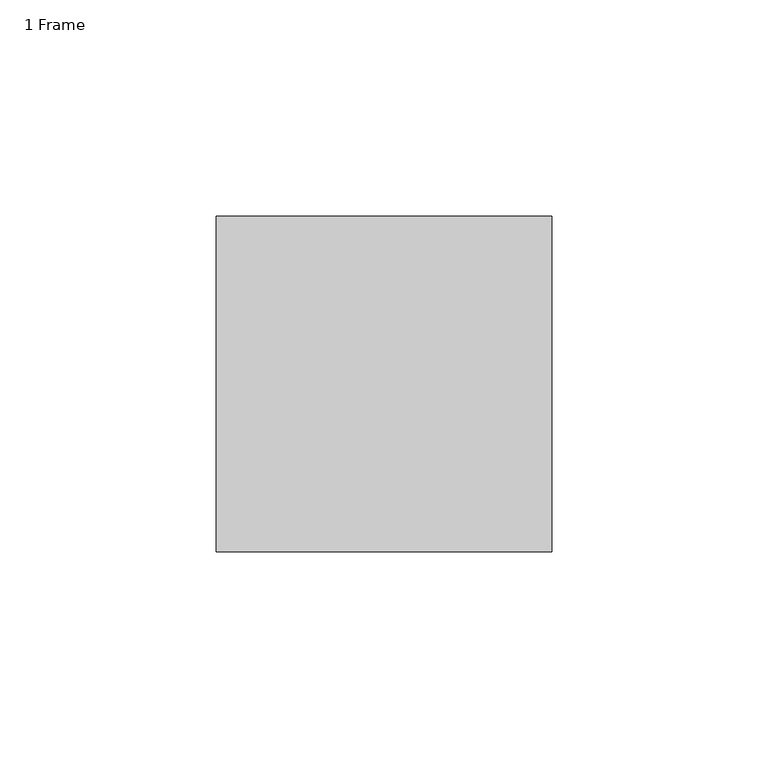
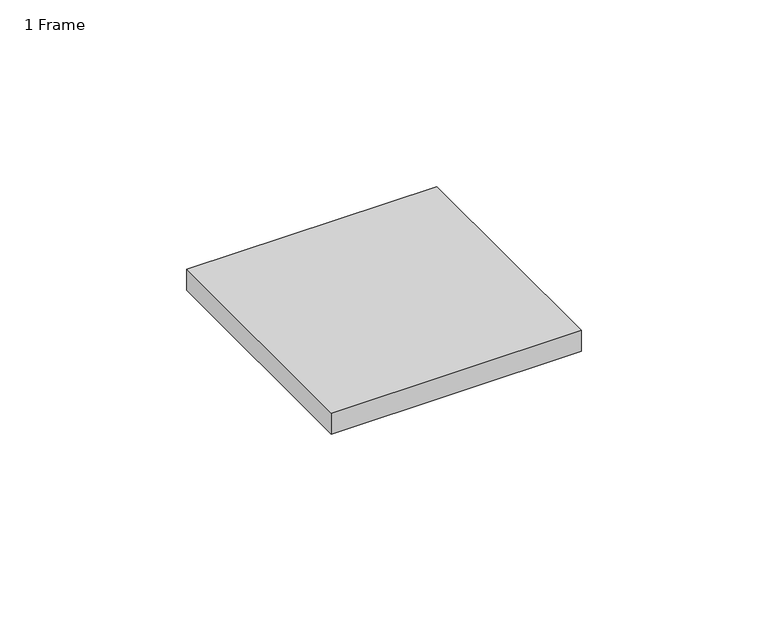
"""IFC4 building model written with IfcOpenShell, lengths in millimetres: furniture geometry, 1 Frame."""

from ifc_helpers import new_model, si_unit, frame, origin, place, context, project, spatial, polyline, outline, extrude, source, transform, mapped, element, save


def furniture_1_frame_a44d648c(model_context):
    return source(origin(), model_context, "Body", "SweptSolid", [
        extrude(outline(polyline([(-283.31795, 38.7477), (-283.31795, -38.7223), (-360.78795, -38.7223), (-360.78795, 38.7477), (-283.31795, 38.7477)])), frame((0.0, 0.0, 1429.766), z_axis=(0.0, 0.0, 1.0), x_axis=(1.0, 0.0, 0.0)), (0.0, 0.0, 1.0), 6.858),
    ])


if __name__ == "__main__":
    model = new_model("IFC4")
    model_context = context("Model", 3, world=origin())
    ifc_project = project(units=[si_unit("LENGTHUNIT", "METRE", prefix="MILLI")], contexts=[model_context])
    site = spatial("IfcSite", under=ifc_project)
    building = spatial("IfcBuilding", under=site)
    placement = place(None, origin())
    furniture_1_frame_shape = furniture_1_frame_a44d648c(model_context)
    element("IfcFurniture", 1, ObjectType="1 Frame", at=placement, inside=building, context=model_context, shape_type="MappedRepresentation", body=[
        mapped(furniture_1_frame_shape, transform((0.0, 0.0, 0.0), x_axis=(1.0, 0.0, 0.0), y_axis=(0.0, 1.0, 0.0), z_axis=(0.0, 0.0, 1.0))),
    ])
    save(model, "model.ifc")
